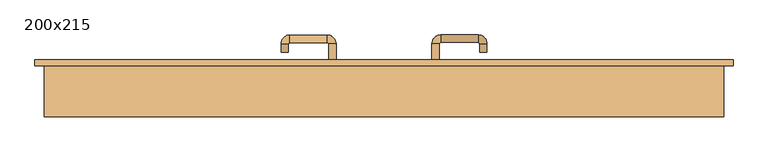
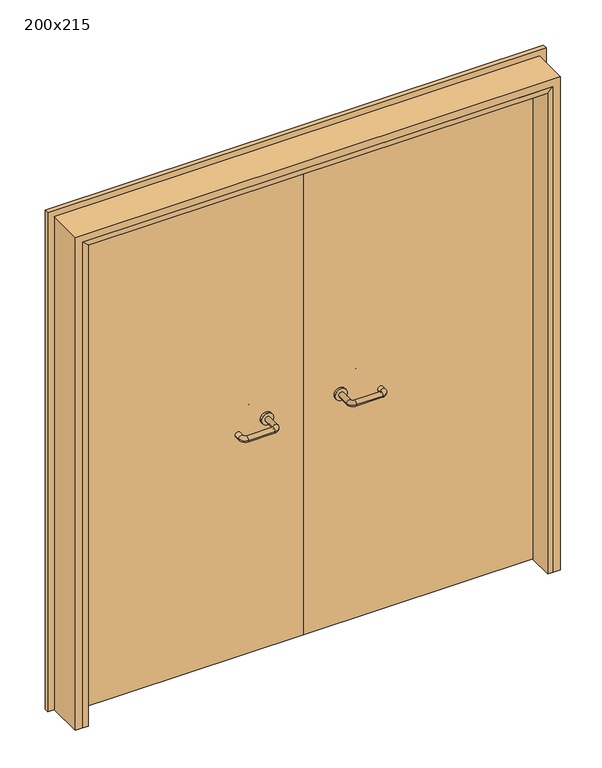
"""IFC4 building model written with IfcOpenShell, lengths in millimetres: door geometry, 200x215."""

from ifc_helpers import new_model, si_unit, point, frame, frame_2d, origin, place, context, project, spatial, polyline, circle_curve, ellipse_curve, trimmed, segment, composite_curve, outline, extrude, faceted_brep, source, transform, mapped, element, save
from ifc_brep_helpers import plane_surface, cylinder_surface, revolved_surface, advanced_brep


def door_200x215_c097de0e(model_context):
    return source(origin(), model_context, "Body", "SolidModel", [
        faceted_brep([(-947.0, 403.0, 0.0), (-947.0, 300.0, 0.0), (-968.0, 300.0, 0.0), (-968.0, 403.0, 0.0), (-947.0, 403.0, 2097.0), (-947.0, 300.0, 2097.0), (-968.0, 300.0, 2118.0), (-968.0, 403.0, 2118.0), (947.0, 403.0, 0.0), (968.0, 403.0, 0.0), (968.0, 300.0, 0.0), (947.0, 300.0, 0.0), (947.0, 403.0, 2097.0), (968.0, 403.0, 2118.0), (968.0, 300.0, 2118.0), (947.0, 300.0, 2097.0)], [[[0, 1, 2, 3]], [[1, 0, 4, 5]], [[2, 1, 5, 6]], [[3, 2, 6, 7]], [[0, 3, 7, 4]], [[8, 9, 10, 11]], [[12, 13, 9, 8]], [[13, 14, 10, 9]], [[14, 15, 11, 10]], [[15, 12, 8, 11]], [[5, 4, 12, 15]], [[6, 5, 15, 14]], [[7, 6, 14, 13]], [[4, 7, 13, 12]]]),
        extrude(outline(polyline([(2177.0, 1027.0), (2177.0, -1027.0), (0.0, -1027.0), (0.0, -983.0), (2133.0, -983.0), (2133.0, 983.0), (0.0, 983.0), (0.0, 1027.0), (2177.0, 1027.0)])), frame((0.0, 450.0, 0.0), z_axis=(0.0, 1.0, 0.0), x_axis=(0.0, 0.0, 1.0)), (0.0, 0.0, 1.0), 18.0),
        extrude(outline(polyline([(2150.0, -1000.0), (0.0, -1000.0), (0.0, -968.0), (2118.0, -968.0), (2118.0, 968.0), (0.0, 968.0), (0.0, 1000.0), (2150.0, 1000.0), (2150.0, -1000.0)])), frame((0.0, 300.0, 0.0), z_axis=(0.0, 1.0, 0.0), x_axis=(0.0, 0.0, 1.0)), (0.0, 0.0, 1.0), 150.0),
        advanced_brep(
        [(140.99898, 396.0, 1003.0), (162.99898, 396.0, 1003.0), (140.99898, 340.6474631, 1003.0), (162.99898, 340.6474631, 1003.0), (166.99898, 336.6474631, 1003.0), (166.99898, 314.6474631, 1003.0), (276.99898, 314.6474631, 1003.0), (276.99898, 336.6474631, 1003.0), (280.99898, 340.6474631, 1003.0), (302.99898, 340.6474631, 1003.0), (302.99898, 358.0, 1003.0), (280.99898, 358.0, 1003.0)],
        [
            (0, 1, circle_curve(frame((151.99898, 396.0, 1003.0), z_axis=(0.0, 1.0, 0.0), x_axis=(1.0, 0.0, 0.0)), 11.0)),
            (1, 0, circle_curve(frame((151.99898, 396.0, 1003.0), z_axis=(0.0, 1.0, 0.0), x_axis=(1.0, 0.0, 0.0)), 11.0)),
            (0, 2),
            (2, 3, circle_curve(frame((151.99898, 340.6474631, 1003.0), z_axis=(0.0, 1.0, 0.0), x_axis=(1.0, 0.0, 0.0)), 11.0)),
            (3, 1),
            (3, 2, circle_curve(frame((151.99898, 340.6474631, 1003.0), z_axis=(0.0, 1.0, 0.0), x_axis=(1.0, 0.0, 0.0)), 11.0)),
            (4, 3, circle_curve(frame((166.99898, 340.6474631, 1003.0), z_axis=(0.0, 0.0, -1.0), x_axis=(-1.0, 0.0, 0.0)), 4.0)),
            (2, 5, circle_curve(frame((166.99898, 340.6474631, 1003.0), z_axis=(0.0, 0.0, 1.0), x_axis=(-1.0, 0.0, 0.0)), 26.0)),
            (5, 4, circle_curve(frame((166.99898, 325.6474631, 1003.0), z_axis=(-1.0, 0.0, 0.0), x_axis=(0.0, 1.0, 0.0)), 11.0)),
            (4, 5, circle_curve(frame((166.99898, 325.6474631, 1003.0), z_axis=(-1.0, 0.0, 0.0), x_axis=(0.0, 1.0, 0.0)), 11.0)),
            (5, 6),
            (6, 7, circle_curve(frame((276.99898, 325.6474631, 1003.0), z_axis=(-1.0, 0.0, 0.0), x_axis=(0.0, 1.0, 0.0)), 11.0)),
            (7, 4),
            (7, 6, circle_curve(frame((276.99898, 325.6474631, 1003.0), z_axis=(-1.0, 0.0, 0.0), x_axis=(0.0, 1.0, 0.0)), 11.0)),
            (8, 7, circle_curve(frame((276.99898, 340.6474631, 1003.0), z_axis=(0.0, 0.0, -1.0), x_axis=(0.0, -1.0, 0.0)), 4.0)),
            (6, 9, circle_curve(frame((276.99898, 340.6474631, 1003.0), z_axis=(0.0, 0.0, 1.0), x_axis=(0.0, -1.0, 0.0)), 26.0)),
            (9, 8, circle_curve(frame((291.99898, 340.6474631, 1003.0), z_axis=(0.0, -1.0, 0.0), x_axis=(-1.0, 0.0, 0.0)), 11.0)),
            (8, 9, circle_curve(frame((291.99898, 340.6474631, 1003.0), z_axis=(0.0, -1.0, 0.0), x_axis=(-1.0, 0.0, 0.0)), 11.0)),
            (10, 11, circle_curve(frame((291.99898, 358.0, 1003.0), z_axis=(0.0, 1.0, 0.0), x_axis=(-1.0, 0.0, 0.0)), 11.0)),
            (11, 10, circle_curve(frame((291.99898, 358.0, 1003.0), z_axis=(0.0, 1.0, 0.0), x_axis=(-1.0, 0.0, 0.0)), 11.0)),
            (9, 10),
            (11, 8),
        ],
        [
            plane_surface(frame((140.99898, 396.0, 1003.0), z_axis=(0.0, 1.0, 0.0), x_axis=(0.0, 0.0, -1.0))),
            cylinder_surface(frame((151.99898, 396.0, 1003.0), z_axis=(0.0, 1.0, 0.0), x_axis=(1.0, 0.0, 0.0)), 11.0),
            revolved_surface(trimmed(ellipse_curve(frame((151.99898, 340.6474631, 1003.0), z_axis=(0.0, 1.0, 0.0), x_axis=(1.0, 0.0, 0.0)), 11.0, 11.0), [point((140.99898, 340.6474631, 1003.0))], [point((162.99898, 340.6474631, 1003.0))], True, "CARTESIAN"), (166.99898, 340.6474631, 1003.0), (0.0, 0.0, 1.0)),
            revolved_surface(trimmed(ellipse_curve(frame((151.99898, 340.6474631, 1003.0), z_axis=(0.0, 1.0, 0.0), x_axis=(1.0, 0.0, 0.0)), 11.0, 11.0), [point((162.99898, 340.6474631, 1003.0))], [point((140.99898, 340.6474631, 1003.0))], True, "CARTESIAN"), (166.99898, 340.6474631, 1003.0), (0.0, 0.0, 1.0)),
            cylinder_surface(frame((166.99898, 325.6474631, 1003.0), z_axis=(-1.0, 0.0, 0.0), x_axis=(0.0, 1.0, 0.0)), 11.0),
            revolved_surface(trimmed(ellipse_curve(frame((276.99898, 325.6474631, 1003.0), z_axis=(-1.0, 0.0, 0.0), x_axis=(0.0, 1.0, 0.0)), 11.0, 11.0), [point((276.99898, 314.6474631, 1003.0))], [point((276.99898, 336.6474631, 1003.0))], True, "CARTESIAN"), (276.99898, 340.6474631, 1003.0), (0.0, 0.0, 1.0)),
            revolved_surface(trimmed(ellipse_curve(frame((276.99898, 325.6474631, 1003.0), z_axis=(-1.0, 0.0, 0.0), x_axis=(0.0, 1.0, 0.0)), 11.0, 11.0), [point((276.99898, 336.6474631, 1003.0))], [point((276.99898, 314.6474631, 1003.0))], True, "CARTESIAN"), (276.99898, 340.6474631, 1003.0), (0.0, 0.0, 1.0)),
            plane_surface(frame((280.99898, 358.0, 1003.0), z_axis=(0.0, 1.0, 0.0), x_axis=(0.0, 0.0, 1.0))),
            cylinder_surface(frame((291.99898, 340.6474631, 1003.0), z_axis=(0.0, -1.0, 0.0), x_axis=(-1.0, 0.0, 0.0)), 11.0),
        ],
        [
            (0, [[1, 2]]),
            (1, [[-1, 3, 4, 5]]),
            (1, [[-2, -5, 6, -3]]),
            (2, [[7, -4, 8, 9]]),
            (3, [[-8, -6, -7, 10]]),
            (4, [[-9, 11, 12, 13]]),
            (4, [[-10, -13, 14, -11]]),
            (5, [[15, -12, 16, 17]]),
            (6, [[-16, -14, -15, 18]]),
            (7, [[19, 20]]),
            (8, [[-17, 21, -20, 22]]),
            (8, [[-18, -22, -19, -21]]),
        ],
    ),
        extrude(outline(composite_curve([segment(trimmed(circle_curve(frame_2d((1003.0, 151.99898)), 25.0), [point((1003.0, 126.99898))], [point((1003.0, 176.99898))], False, "CARTESIAN"), True, "CONTINUOUS"), segment(trimmed(circle_curve(frame_2d((1003.0, 151.99898)), 25.0), [point((1003.0, 176.99898))], [point((1003.0, 126.99898))], False, "CARTESIAN"), True, "CONTINUOUS")], self_intersect=False)), frame((0.0, 396.0, 0.0), z_axis=(0.0, 1.0, 0.0), x_axis=(0.0, 0.0, 1.0)), (0.0, 0.0, 1.0), 10.0),
        advanced_brep(
        [(162.99898, 460.0, 1003.0), (140.99898, 460.0, 1003.0), (162.99898, 515.0, 1003.0), (140.99898, 515.0, 1003.0), (166.99898, 541.0, 1003.0), (166.99898, 519.0, 1003.0), (276.99898, 519.0, 1003.0), (276.99898, 541.0, 1003.0), (302.99898, 515.0, 1003.0), (280.99898, 515.0, 1003.0), (280.99898, 490.0, 1003.0), (302.99898, 490.0, 1003.0)],
        [
            (0, 1, circle_curve(frame((151.99898, 460.0, 1003.0), z_axis=(0.0, -1.0, 0.0), x_axis=(-1.0, 0.0, 0.0)), 11.0)),
            (1, 0, circle_curve(frame((151.99898, 460.0, 1003.0), z_axis=(0.0, -1.0, 0.0), x_axis=(-1.0, 0.0, 0.0)), 11.0)),
            (0, 2),
            (2, 3, circle_curve(frame((151.99898, 515.0, 1003.0), z_axis=(0.0, -1.0, 0.0), x_axis=(-1.0, 0.0, 0.0)), 11.0)),
            (3, 1),
            (3, 2, circle_curve(frame((151.99898, 515.0, 1003.0), z_axis=(0.0, -1.0, 0.0), x_axis=(-1.0, 0.0, 0.0)), 11.0)),
            (4, 3, circle_curve(frame((166.99898, 515.0, 1003.0), z_axis=(0.0, 0.0, 1.0), x_axis=(-1.0, 0.0, 0.0)), 26.0)),
            (2, 5, circle_curve(frame((166.99898, 515.0, 1003.0), z_axis=(0.0, 0.0, -1.0), x_axis=(-1.0, 0.0, 0.0)), 4.0)),
            (5, 4, circle_curve(frame((166.99898, 530.0, 1003.0), z_axis=(-1.0, 0.0, 0.0), x_axis=(0.0, 1.0, 0.0)), 11.0)),
            (4, 5, circle_curve(frame((166.99898, 530.0, 1003.0), z_axis=(-1.0, 0.0, 0.0), x_axis=(0.0, 1.0, 0.0)), 11.0)),
            (5, 6),
            (6, 7, circle_curve(frame((276.99898, 530.0, 1003.0), z_axis=(-1.0, 0.0, 0.0), x_axis=(0.0, 1.0, 0.0)), 11.0)),
            (7, 4),
            (7, 6, circle_curve(frame((276.99898, 530.0, 1003.0), z_axis=(-1.0, 0.0, 0.0), x_axis=(0.0, 1.0, 0.0)), 11.0)),
            (8, 7, circle_curve(frame((276.99898, 515.0, 1003.0), z_axis=(0.0, 0.0, 1.0), x_axis=(0.0, 1.0, 0.0)), 26.0)),
            (6, 9, circle_curve(frame((276.99898, 515.0, 1003.0), z_axis=(0.0, 0.0, -1.0), x_axis=(0.0, 1.0, 0.0)), 4.0)),
            (9, 8, circle_curve(frame((291.99898, 515.0, 1003.0), z_axis=(0.0, 1.0, 0.0), x_axis=(1.0, 0.0, 0.0)), 11.0)),
            (8, 9, circle_curve(frame((291.99898, 515.0, 1003.0), z_axis=(0.0, 1.0, 0.0), x_axis=(1.0, 0.0, 0.0)), 11.0)),
            (10, 11, circle_curve(frame((291.99898, 490.0, 1003.0), z_axis=(0.0, -1.0, 0.0), x_axis=(1.0, 0.0, 0.0)), 11.0)),
            (11, 10, circle_curve(frame((291.99898, 490.0, 1003.0), z_axis=(0.0, -1.0, 0.0), x_axis=(1.0, 0.0, 0.0)), 11.0)),
            (9, 10),
            (11, 8),
        ],
        [
            plane_surface(frame((140.99898, 460.0, 1003.0), z_axis=(0.0, -1.0, 0.0), x_axis=(0.0, 0.0, 1.0))),
            cylinder_surface(frame((151.99898, 460.0, 1003.0), z_axis=(0.0, -1.0, 0.0), x_axis=(-1.0, 0.0, 0.0)), 11.0),
            revolved_surface(trimmed(ellipse_curve(frame((151.99898, 515.0, 1003.0), z_axis=(0.0, -1.0, 0.0), x_axis=(-1.0, 0.0, 0.0)), 11.0, 11.0), [point((162.99898, 515.0, 1003.0))], [point((140.99898, 515.0, 1003.0))], True, "CARTESIAN"), (166.99898, 515.0, 1003.0), (0.0, 0.0, -1.0)),
            revolved_surface(trimmed(ellipse_curve(frame((151.99898, 515.0, 1003.0), z_axis=(0.0, -1.0, 0.0), x_axis=(-1.0, 0.0, 0.0)), 11.0, 11.0), [point((140.99898, 515.0, 1003.0))], [point((162.99898, 515.0, 1003.0))], True, "CARTESIAN"), (166.99898, 515.0, 1003.0), (0.0, 0.0, -1.0)),
            cylinder_surface(frame((166.99898, 530.0, 1003.0), z_axis=(-1.0, 0.0, 0.0), x_axis=(0.0, 1.0, 0.0)), 11.0),
            revolved_surface(trimmed(ellipse_curve(frame((276.99898, 530.0, 1003.0), z_axis=(-1.0, 0.0, 0.0), x_axis=(0.0, 1.0, 0.0)), 11.0, 11.0), [point((276.99898, 519.0, 1003.0))], [point((276.99898, 541.0, 1003.0))], True, "CARTESIAN"), (276.99898, 515.0, 1003.0), (0.0, 0.0, -1.0)),
            revolved_surface(trimmed(ellipse_curve(frame((276.99898, 530.0, 1003.0), z_axis=(-1.0, 0.0, 0.0), x_axis=(0.0, 1.0, 0.0)), 11.0, 11.0), [point((276.99898, 541.0, 1003.0))], [point((276.99898, 519.0, 1003.0))], True, "CARTESIAN"), (276.99898, 515.0, 1003.0), (0.0, 0.0, -1.0)),
            plane_surface(frame((280.99898, 490.0, 1003.0), z_axis=(0.0, -1.0, 0.0), x_axis=(0.0, 0.0, -1.0))),
            cylinder_surface(frame((291.99898, 515.0, 1003.0), z_axis=(0.0, 1.0, 0.0), x_axis=(1.0, 0.0, 0.0)), 11.0),
        ],
        [
            (0, [[1, 2]]),
            (1, [[-1, 3, 4, 5]]),
            (1, [[-2, -5, 6, -3]]),
            (2, [[7, -4, 8, 9]]),
            (3, [[-8, -6, -7, 10]]),
            (4, [[-9, 11, 12, 13]]),
            (4, [[-10, -13, 14, -11]]),
            (5, [[15, -12, 16, 17]]),
            (6, [[-16, -14, -15, 18]]),
            (7, [[19, 20]]),
            (8, [[-17, 21, -20, 22]]),
            (8, [[-18, -22, -19, -21]]),
        ],
    ),
        extrude(outline(composite_curve([segment(trimmed(circle_curve(frame_2d((1003.0, 151.99898)), 25.0), [point((1003.0, 176.99898))], [point((1003.0, 126.99898))], False, "CARTESIAN"), True, "CONTINUOUS"), segment(trimmed(circle_curve(frame_2d((1003.0, 151.99898)), 25.0), [point((1003.0, 126.99898))], [point((1003.0, 176.99898))], False, "CARTESIAN"), True, "CONTINUOUS")], self_intersect=False)), frame((0.0, 450.0, 0.0), z_axis=(0.0, 1.0, 0.0), x_axis=(0.0, 0.0, 1.0)), (0.0, 0.0, 1.0), 10.0),
        advanced_brep(
        [(-162.99898, 395.6886121, 1003.0), (-140.99898, 395.6886121, 1003.0), (-162.99898, 340.2779553, 1003.0), (-140.99898, 340.2779553, 1003.0), (-166.99898, 314.2779553, 1003.0), (-166.99898, 336.2779553, 1003.0), (-276.99898, 336.2779553, 1003.0), (-276.99898, 314.2779553, 1003.0), (-302.99898, 340.2779553, 1003.0), (-280.99898, 340.2779553, 1003.0), (-280.99898, 365.2779553, 1003.0), (-302.99898, 365.2779553, 1003.0)],
        [
            (0, 1, circle_curve(frame((-151.99898, 395.6886121, 1003.0), z_axis=(0.0, 1.0, 0.0), x_axis=(1.0, 0.0, 0.0)), 11.0)),
            (1, 0, circle_curve(frame((-151.99898, 395.6886121, 1003.0), z_axis=(0.0, 1.0, 0.0), x_axis=(1.0, 0.0, 0.0)), 11.0)),
            (0, 2),
            (2, 3, circle_curve(frame((-151.99898, 340.2779553, 1003.0), z_axis=(0.0, 1.0, 0.0), x_axis=(1.0, 0.0, 0.0)), 11.0)),
            (3, 1),
            (3, 2, circle_curve(frame((-151.99898, 340.2779553, 1003.0), z_axis=(0.0, 1.0, 0.0), x_axis=(1.0, 0.0, 0.0)), 11.0)),
            (4, 3, circle_curve(frame((-166.99898, 340.2779553, 1003.0), z_axis=(0.0, 0.0, 1.0), x_axis=(1.0, 0.0, 0.0)), 26.0)),
            (2, 5, circle_curve(frame((-166.99898, 340.2779553, 1003.0), z_axis=(0.0, 0.0, -1.0), x_axis=(1.0, 0.0, 0.0)), 4.0)),
            (5, 4, circle_curve(frame((-166.99898, 325.2779553, 1003.0), z_axis=(1.0, 0.0, 0.0), x_axis=(0.0, -1.0, 0.0)), 11.0)),
            (4, 5, circle_curve(frame((-166.99898, 325.2779553, 1003.0), z_axis=(1.0, 0.0, 0.0), x_axis=(0.0, -1.0, 0.0)), 11.0)),
            (5, 6),
            (6, 7, circle_curve(frame((-276.99898, 325.2779553, 1003.0), z_axis=(1.0, 0.0, 0.0), x_axis=(0.0, -1.0, 0.0)), 11.0)),
            (7, 4),
            (7, 6, circle_curve(frame((-276.99898, 325.2779553, 1003.0), z_axis=(1.0, 0.0, 0.0), x_axis=(0.0, -1.0, 0.0)), 11.0)),
            (8, 7, circle_curve(frame((-276.99898, 340.2779553, 1003.0), z_axis=(0.0, 0.0, 1.0), x_axis=(0.0, -1.0, 0.0)), 26.0)),
            (6, 9, circle_curve(frame((-276.99898, 340.2779553, 1003.0), z_axis=(0.0, 0.0, -1.0), x_axis=(0.0, -1.0, 0.0)), 4.0)),
            (9, 8, circle_curve(frame((-291.99898, 340.2779553, 1003.0), z_axis=(0.0, -1.0, 0.0), x_axis=(-1.0, 0.0, 0.0)), 11.0)),
            (8, 9, circle_curve(frame((-291.99898, 340.2779553, 1003.0), z_axis=(0.0, -1.0, 0.0), x_axis=(-1.0, 0.0, 0.0)), 11.0)),
            (10, 11, circle_curve(frame((-291.99898, 365.2779553, 1003.0), z_axis=(0.0, 1.0, 0.0), x_axis=(-1.0, 0.0, 0.0)), 11.0)),
            (11, 10, circle_curve(frame((-291.99898, 365.2779553, 1003.0), z_axis=(0.0, 1.0, 0.0), x_axis=(-1.0, 0.0, 0.0)), 11.0)),
            (9, 10),
            (11, 8),
        ],
        [
            plane_surface(frame((-162.99898, 395.6886121, 1003.0), z_axis=(0.0, 1.0, 0.0), x_axis=(0.0, 0.0, -1.0))),
            cylinder_surface(frame((-151.99898, 395.6886121, 1003.0), z_axis=(0.0, 1.0, 0.0), x_axis=(1.0, 0.0, 0.0)), 11.0),
            revolved_surface(trimmed(ellipse_curve(frame((-151.99898, 340.2779553, 1003.0), z_axis=(0.0, 1.0, 0.0), x_axis=(1.0, 0.0, 0.0)), 11.0, 11.0), [point((-162.99898, 340.2779553, 1003.0))], [point((-140.99898, 340.2779553, 1003.0))], True, "CARTESIAN"), (-166.99898, 340.2779553, 1003.0), (0.0, 0.0, -1.0)),
            revolved_surface(trimmed(ellipse_curve(frame((-151.99898, 340.2779553, 1003.0), z_axis=(0.0, 1.0, 0.0), x_axis=(1.0, 0.0, 0.0)), 11.0, 11.0), [point((-140.99898, 340.2779553, 1003.0))], [point((-162.99898, 340.2779553, 1003.0))], True, "CARTESIAN"), (-166.99898, 340.2779553, 1003.0), (0.0, 0.0, -1.0)),
            cylinder_surface(frame((-166.99898, 325.2779553, 1003.0), z_axis=(1.0, 0.0, 0.0), x_axis=(0.0, -1.0, 0.0)), 11.0),
            revolved_surface(trimmed(ellipse_curve(frame((-276.99898, 325.2779553, 1003.0), z_axis=(1.0, 0.0, 0.0), x_axis=(0.0, -1.0, 0.0)), 11.0, 11.0), [point((-276.99898, 336.2779553, 1003.0))], [point((-276.99898, 314.2779553, 1003.0))], True, "CARTESIAN"), (-276.99898, 340.2779553, 1003.0), (0.0, 0.0, -1.0)),
            revolved_surface(trimmed(ellipse_curve(frame((-276.99898, 325.2779553, 1003.0), z_axis=(1.0, 0.0, 0.0), x_axis=(0.0, -1.0, 0.0)), 11.0, 11.0), [point((-276.99898, 314.2779553, 1003.0))], [point((-276.99898, 336.2779553, 1003.0))], True, "CARTESIAN"), (-276.99898, 340.2779553, 1003.0), (0.0, 0.0, -1.0)),
            plane_surface(frame((-302.99898, 365.2779553, 1003.0), z_axis=(0.0, 1.0, 0.0), x_axis=(0.0, 0.0, 1.0))),
            cylinder_surface(frame((-291.99898, 340.2779553, 1003.0), z_axis=(0.0, -1.0, 0.0), x_axis=(-1.0, 0.0, 0.0)), 11.0),
        ],
        [
            (0, [[1, 2]]),
            (1, [[-1, 3, 4, 5]]),
            (1, [[-2, -5, 6, -3]]),
            (2, [[7, -4, 8, 9]]),
            (3, [[-8, -6, -7, 10]]),
            (4, [[-9, 11, 12, 13]]),
            (4, [[-10, -13, 14, -11]]),
            (5, [[15, -12, 16, 17]]),
            (6, [[-16, -14, -15, 18]]),
            (7, [[19, 20]]),
            (8, [[-17, 21, -20, 22]]),
            (8, [[-18, -22, -19, -21]]),
        ],
    ),
        extrude(outline(composite_curve([segment(trimmed(circle_curve(frame_2d((1003.0, -151.99898)), 25.0), [point((1003.0, -176.99898))], [point((1003.0, -126.99898))], False, "CARTESIAN"), True, "CONTINUOUS"), segment(trimmed(circle_curve(frame_2d((1003.0, -151.99898)), 25.0), [point((1003.0, -126.99898))], [point((1003.0, -176.99898))], False, "CARTESIAN"), True, "CONTINUOUS")], self_intersect=False)), frame((0.0, 395.6886121, 0.0), z_axis=(0.0, 1.0, 0.0), x_axis=(0.0, 0.0, 1.0)), (0.0, 0.0, 1.0), 10.3113879),
        advanced_brep(
        [(-140.99898, 459.5143417, 1003.0), (-162.99898, 459.5143417, 1003.0), (-140.99898, 514.6104656, 1003.0), (-162.99898, 514.6104656, 1003.0), (-166.99898, 518.6104656, 1003.0), (-166.99898, 540.6104656, 1003.0), (-276.99898, 540.6104656, 1003.0), (-276.99898, 518.6104656, 1003.0), (-280.99898, 514.6104656, 1003.0), (-302.99898, 514.6104656, 1003.0), (-302.99898, 489.6104656, 1003.0), (-280.99898, 489.6104656, 1003.0)],
        [
            (0, 1, circle_curve(frame((-151.99898, 459.5143417, 1003.0), z_axis=(0.0, -1.0, 0.0), x_axis=(-1.0, 0.0, 0.0)), 11.0)),
            (1, 0, circle_curve(frame((-151.99898, 459.5143417, 1003.0), z_axis=(0.0, -1.0, 0.0), x_axis=(-1.0, 0.0, 0.0)), 11.0)),
            (0, 2),
            (2, 3, circle_curve(frame((-151.99898, 514.6104656, 1003.0), z_axis=(0.0, -1.0, 0.0), x_axis=(-1.0, 0.0, 0.0)), 11.0)),
            (3, 1),
            (3, 2, circle_curve(frame((-151.99898, 514.6104656, 1003.0), z_axis=(0.0, -1.0, 0.0), x_axis=(-1.0, 0.0, 0.0)), 11.0)),
            (4, 3, circle_curve(frame((-166.99898, 514.6104656, 1003.0), z_axis=(0.0, 0.0, -1.0), x_axis=(1.0, 0.0, 0.0)), 4.0)),
            (2, 5, circle_curve(frame((-166.99898, 514.6104656, 1003.0), z_axis=(0.0, 0.0, 1.0), x_axis=(1.0, 0.0, 0.0)), 26.0)),
            (5, 4, circle_curve(frame((-166.99898, 529.6104656, 1003.0), z_axis=(1.0, 0.0, 0.0), x_axis=(0.0, -1.0, 0.0)), 11.0)),
            (4, 5, circle_curve(frame((-166.99898, 529.6104656, 1003.0), z_axis=(1.0, 0.0, 0.0), x_axis=(0.0, -1.0, 0.0)), 11.0)),
            (5, 6),
            (6, 7, circle_curve(frame((-276.99898, 529.6104656, 1003.0), z_axis=(1.0, 0.0, 0.0), x_axis=(0.0, -1.0, 0.0)), 11.0)),
            (7, 4),
            (7, 6, circle_curve(frame((-276.99898, 529.6104656, 1003.0), z_axis=(1.0, 0.0, 0.0), x_axis=(0.0, -1.0, 0.0)), 11.0)),
            (8, 7, circle_curve(frame((-276.99898, 514.6104656, 1003.0), z_axis=(0.0, 0.0, -1.0), x_axis=(0.0, 1.0, 0.0)), 4.0)),
            (6, 9, circle_curve(frame((-276.99898, 514.6104656, 1003.0), z_axis=(0.0, 0.0, 1.0), x_axis=(0.0, 1.0, 0.0)), 26.0)),
            (9, 8, circle_curve(frame((-291.99898, 514.6104656, 1003.0), z_axis=(0.0, 1.0, 0.0), x_axis=(1.0, 0.0, 0.0)), 11.0)),
            (8, 9, circle_curve(frame((-291.99898, 514.6104656, 1003.0), z_axis=(0.0, 1.0, 0.0), x_axis=(1.0, 0.0, 0.0)), 11.0)),
            (10, 11, circle_curve(frame((-291.99898, 489.6104656, 1003.0), z_axis=(0.0, -1.0, 0.0), x_axis=(1.0, 0.0, 0.0)), 11.0)),
            (11, 10, circle_curve(frame((-291.99898, 489.6104656, 1003.0), z_axis=(0.0, -1.0, 0.0), x_axis=(1.0, 0.0, 0.0)), 11.0)),
            (9, 10),
            (11, 8),
        ],
        [
            plane_surface(frame((-162.99898, 459.5143417, 1003.0), z_axis=(0.0, -1.0, 0.0), x_axis=(0.0, 0.0, 1.0))),
            cylinder_surface(frame((-151.99898, 459.5143417, 1003.0), z_axis=(0.0, -1.0, 0.0), x_axis=(-1.0, 0.0, 0.0)), 11.0),
            revolved_surface(trimmed(ellipse_curve(frame((-151.99898, 514.6104656, 1003.0), z_axis=(0.0, -1.0, 0.0), x_axis=(-1.0, 0.0, 0.0)), 11.0, 11.0), [point((-140.99898, 514.6104656, 1003.0))], [point((-162.99898, 514.6104656, 1003.0))], True, "CARTESIAN"), (-166.99898, 514.6104656, 1003.0), (0.0, 0.0, 1.0)),
            revolved_surface(trimmed(ellipse_curve(frame((-151.99898, 514.6104656, 1003.0), z_axis=(0.0, -1.0, 0.0), x_axis=(-1.0, 0.0, 0.0)), 11.0, 11.0), [point((-162.99898, 514.6104656, 1003.0))], [point((-140.99898, 514.6104656, 1003.0))], True, "CARTESIAN"), (-166.99898, 514.6104656, 1003.0), (0.0, 0.0, 1.0)),
            cylinder_surface(frame((-166.99898, 529.6104656, 1003.0), z_axis=(1.0, 0.0, 0.0), x_axis=(0.0, -1.0, 0.0)), 11.0),
            revolved_surface(trimmed(ellipse_curve(frame((-276.99898, 529.6104656, 1003.0), z_axis=(1.0, 0.0, 0.0), x_axis=(0.0, -1.0, 0.0)), 11.0, 11.0), [point((-276.99898, 540.6104656, 1003.0))], [point((-276.99898, 518.6104656, 1003.0))], True, "CARTESIAN"), (-276.99898, 514.6104656, 1003.0), (0.0, 0.0, 1.0)),
            revolved_surface(trimmed(ellipse_curve(frame((-276.99898, 529.6104656, 1003.0), z_axis=(1.0, 0.0, 0.0), x_axis=(0.0, -1.0, 0.0)), 11.0, 11.0), [point((-276.99898, 518.6104656, 1003.0))], [point((-276.99898, 540.6104656, 1003.0))], True, "CARTESIAN"), (-276.99898, 514.6104656, 1003.0), (0.0, 0.0, 1.0)),
            plane_surface(frame((-302.99898, 489.6104656, 1003.0), z_axis=(0.0, -1.0, 0.0), x_axis=(0.0, 0.0, -1.0))),
            cylinder_surface(frame((-291.99898, 514.6104656, 1003.0), z_axis=(0.0, 1.0, 0.0), x_axis=(1.0, 0.0, 0.0)), 11.0),
        ],
        [
            (0, [[1, 2]]),
            (1, [[-1, 3, 4, 5]]),
            (1, [[-2, -5, 6, -3]]),
            (2, [[7, -4, 8, 9]]),
            (3, [[-8, -6, -7, 10]]),
            (4, [[-9, 11, 12, 13]]),
            (4, [[-10, -13, 14, -11]]),
            (5, [[15, -12, 16, 17]]),
            (6, [[-16, -14, -15, 18]]),
            (7, [[19, 20]]),
            (8, [[-17, 21, -20, 22]]),
            (8, [[-18, -22, -19, -21]]),
        ],
    ),
        extrude(outline(composite_curve([segment(trimmed(circle_curve(frame_2d((1003.0, -151.99898)), 25.0), [point((1003.0, -126.99898))], [point((1003.0, -176.99898))], False, "CARTESIAN"), True, "CONTINUOUS"), segment(trimmed(circle_curve(frame_2d((1003.0, -151.99898)), 25.0), [point((1003.0, -176.99898))], [point((1003.0, -126.99898))], False, "CARTESIAN"), True, "CONTINUOUS")], self_intersect=False)), frame((0.0, 450.0, 0.0), z_axis=(0.0, 1.0, 0.0), x_axis=(0.0, 0.0, 1.0)), (0.0, 0.0, 1.0), 9.5143417),
        extrude(outline(polyline([(1.0739506, 406.0), (-965.0, 406.0), (-965.0, 450.0), (1.0739506, 450.0), (1.0739506, 406.0)])), frame((0.0, 0.0, 1.753223), z_axis=(0.0, 0.0, 1.0), x_axis=(1.0, 0.0, 0.0)), (0.0, 0.0, 1.0), 2116.246777),
        extrude(outline(polyline([(965.0, 406.0), (1.0739506, 406.0), (1.0739506, 450.0), (965.0, 450.0), (965.0, 406.0)])), frame((0.0, 0.0, 1.753223), z_axis=(0.0, 0.0, 1.0), x_axis=(1.0, 0.0, 0.0)), (0.0, 0.0, 1.0), 2116.246777),
    ])


if __name__ == "__main__":
    model = new_model("IFC4")
    model_context = context("Model", 3, world=origin())
    ifc_project = project(units=[si_unit("LENGTHUNIT", "METRE", prefix="MILLI")], contexts=[model_context])
    site = spatial("IfcSite", under=ifc_project)
    building = spatial("IfcBuilding", under=site)
    placement = place(None, origin())
    door_200x215_shape = door_200x215_c097de0e(model_context)
    element("IfcDoor", 1, ObjectType="200x215", at=placement, inside=building, context=model_context, shape_type="MappedRepresentation", body=[
        mapped(door_200x215_shape, transform((0.0, 0.0, 0.0), x_axis=(1.0, 0.0, 0.0), y_axis=(0.0, 1.0, 0.0), z_axis=(0.0, 0.0, 1.0))),
    ])
    save(model, "model.ifc")
